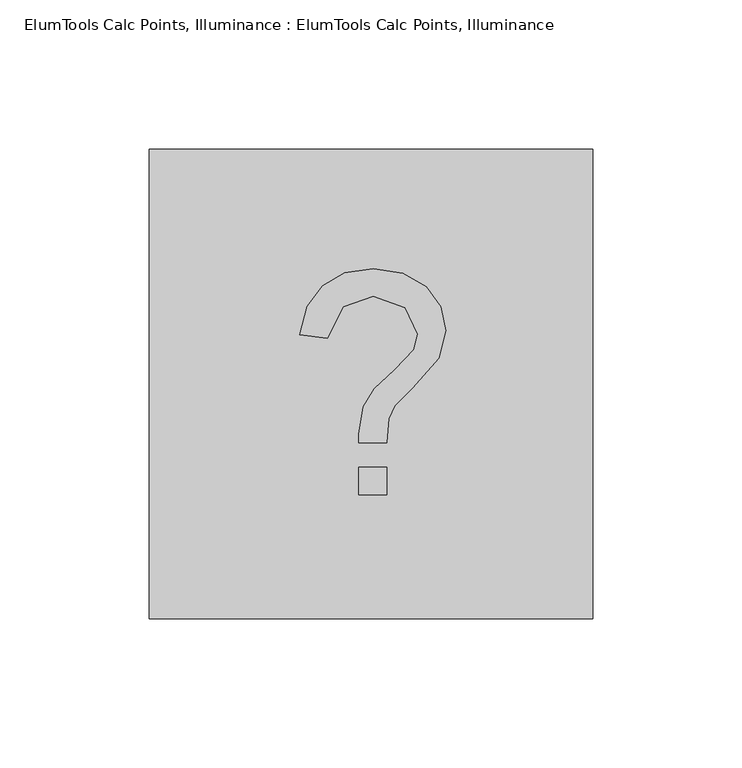
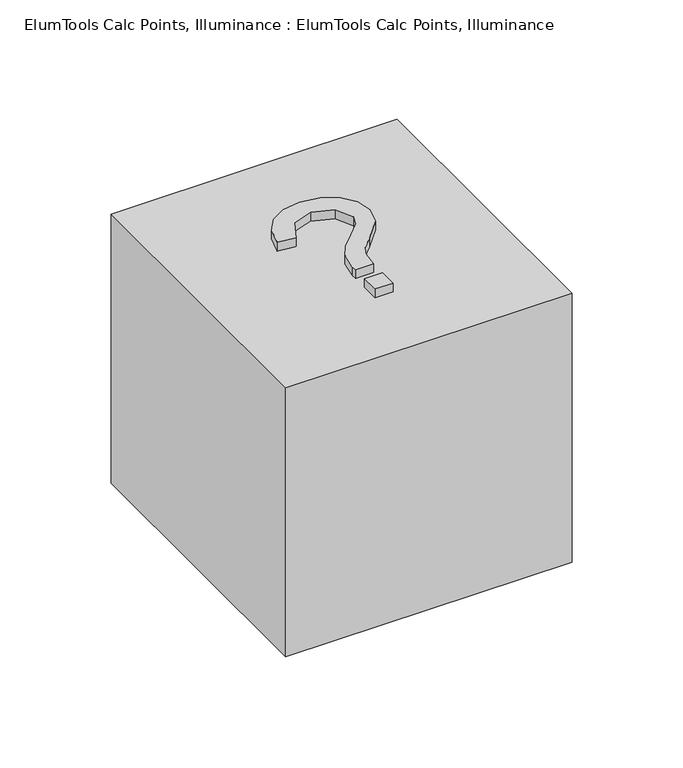
"""IFC4 building model written with IfcOpenShell, lengths in millimetres: proxy geometry, ElumTools Calc Points, Illuminance : ElumTools Calc Points, Illuminance."""

import ifcopenshell
import ifcopenshell.guid

model = None  # the IFC model being written
_history = None  # IfcOwnerHistory: only IFC2X3 demands one
_inside = {}  # id of a spatial element -> (the spatial element, [elements in it])
_under = {}  # id of a project, library or spatial element -> (it, [spatial elements below it])
_declared = {}  # id of a project -> (the project, [libraries it declares])
_typed = {}  # id of a type object -> (the type object, [elements of that type])
_made_of = {}  # id of a material, layer set ... -> (it, [elements and type objects made of it])


def new_model(schema):
    """Start an empty IFC model of exactly this schema.

    Asked for "IFC4X3", IfcOpenShell would pick the latest addendum, in which some entities
    have other attributes; the version numbers below select the first issue.
    IFC2X3 requires an IfcOwnerHistory on every rooted entity: one is made here for all.
    """
    global model, _history
    if schema == "IFC4X3":
        model = ifcopenshell.file(schema_version=(4, 3, 0, 0))
    else:
        model = ifcopenshell.file(schema=schema)
    _inside.clear()
    _under.clear()
    _declared.clear()
    _typed.clear()
    _made_of.clear()
    _history = None
    if model.schema == "IFC2X3":
        org = make("IfcOrganization", Name="unknown")
        user = make(
            "IfcPersonAndOrganization",
            ThePerson=make("IfcPerson", FamilyName="unknown"),
            TheOrganization=org,
        )
        app = make(
            "IfcApplication",
            ApplicationDeveloper=org,
            Version="unknown",
            ApplicationFullName="unknown",
            ApplicationIdentifier="unknown",
        )
        _history = make(
            "IfcOwnerHistory",
            OwningUser=user,
            OwningApplication=app,
            ChangeAction="ADDED",
            CreationDate=0,
        )
    return model


def make(cls, **values):
    """One entity of the class cls with the attributes given. An attribute that is None is left unset."""
    return model.create_entity(
        cls, **{name: value for name, value in values.items() if value is not None}
    )


def rooted(cls, **values):
    """An entity with a GlobalId (a new one), such as an element, a storey or a relation."""
    return make(cls, GlobalId=ifcopenshell.guid.new(), OwnerHistory=_history, **values)


def si_unit(unit_type, name, prefix=None):
    """IfcSIUnit, for example si_unit("LENGTHUNIT", "METRE", prefix="MILLI")."""
    return make("IfcSIUnit", UnitType=unit_type, Prefix=prefix, Name=name)


def assignment(units):
    """IfcUnitAssignment: the units of a project."""
    return None if units is None else make("IfcUnitAssignment", Units=units)


def point(xyz):
    """IfcCartesianPoint."""
    return None if xyz is None else make("IfcCartesianPoint", Coordinates=xyz)


def direction(xyz):
    """IfcDirection."""
    return None if xyz is None else make("IfcDirection", DirectionRatios=xyz)


def frame(location, z_axis=None, x_axis=None):
    """IfcAxis2Placement3D, a coordinate frame: its origin and axes. An axis left out is left unset."""
    return make(
        "IfcAxis2Placement3D",
        Location=point(location),
        Axis=direction(z_axis),
        RefDirection=direction(x_axis),
    )


def origin():
    """The frame at (0, 0, 0) with its axes left unset."""
    return frame((0.0, 0.0, 0.0))


def origin_with_axes():
    """The frame at (0, 0, 0) with the z axis (0, 0, 1) and the x axis (1, 0, 0) written out."""
    return frame((0.0, 0.0, 0.0), z_axis=(0.0, 0.0, 1.0), x_axis=(1.0, 0.0, 0.0))


def place(relative_to, where):
    """IfcLocalPlacement: puts the frame where relative to a parent placement (None: the world)."""
    return make(
        "IfcLocalPlacement", PlacementRelTo=relative_to, RelativePlacement=where
    )


def context(
    kind, dimensions, precision=None, world=None, true_north=None, identifier=None
):
    """IfcGeometricRepresentationContext, for example the 3D "Model" context."""
    return make(
        "IfcGeometricRepresentationContext",
        ContextIdentifier=identifier,
        ContextType=kind,
        CoordinateSpaceDimension=dimensions,
        Precision=precision,
        WorldCoordinateSystem=world,
        TrueNorth=true_north,
    )


def project(units=None, contexts=None):
    """IfcProject with its units and contexts."""
    return rooted(
        "IfcProject",
        Name="project",
        RepresentationContexts=contexts,
        UnitsInContext=assignment(units),
    )


def spatial(cls, under=None, at=None, **own):
    """A site, building, storey or space (cls), placed at a placement, below another one or the project."""
    s = rooted(cls, ObjectPlacement=at, **own)
    if under is not None:
        _under.setdefault(under.id(), (under, []))[1].append(s)
    return s


def polyline(points):
    """IfcPolyline through the points."""
    return make("IfcPolyline", Points=[point(p) for p in points])


def outline(outer, holes=None, kind="AREA"):
    """IfcArbitraryClosedProfileDef: a profile drawn as a closed curve; with holes, ...WithVoids."""
    if holes is None:
        return make("IfcArbitraryClosedProfileDef", ProfileType=kind, OuterCurve=outer)
    return make(
        "IfcArbitraryProfileDefWithVoids",
        ProfileType=kind,
        OuterCurve=outer,
        InnerCurves=holes,
    )


def extrude(swept, where, along, depth):
    """IfcExtrudedAreaSolid: the profile swept, set in the frame where, extruded along a direction by depth."""
    return make(
        "IfcExtrudedAreaSolid",
        SweptArea=swept,
        Position=where,
        ExtrudedDirection=direction(along),
        Depth=depth,
    )


def shape(context_of_items, identifier, shape_type, items):
    """IfcShapeRepresentation: the items that make up one representation, for example the "Body"."""
    return make(
        "IfcShapeRepresentation",
        ContextOfItems=context_of_items,
        RepresentationIdentifier=identifier,
        RepresentationType=shape_type,
        Items=items,
    )


def source(mapping_origin, context_of_items, identifier, shape_type, items):
    """IfcRepresentationMap: a shape defined once, which mapped items show again and again."""
    return make(
        "IfcRepresentationMap",
        MappingOrigin=mapping_origin,
        MappedRepresentation=shape(context_of_items, identifier, shape_type, items),
    )


def transform(
    local_origin,
    x_axis=None,
    y_axis=None,
    z_axis=None,
    scale=None,
    scale2=None,
    scale3=None,
    uniform=True,
):
    """IfcCartesianTransformationOperator3D, or its non-uniform kind. x_axis, y_axis, z_axis: its Axis1, 2, 3."""
    if uniform:
        return make(
            "IfcCartesianTransformationOperator3D",
            Axis1=direction(x_axis),
            Axis2=direction(y_axis),
            LocalOrigin=point(local_origin),
            Scale=scale,
            Axis3=direction(z_axis),
        )
    return make(
        "IfcCartesianTransformationOperator3DnonUniform",
        Axis1=direction(x_axis),
        Axis2=direction(y_axis),
        LocalOrigin=point(local_origin),
        Scale=scale,
        Axis3=direction(z_axis),
        Scale2=scale2,
        Scale3=scale3,
    )


def mapped(mapping_source, mapping_target):
    """IfcMappedItem: shows the shape of a source again, moved by a transform."""
    return make(
        "IfcMappedItem", MappingSource=mapping_source, MappingTarget=mapping_target
    )


def made_of(thing, what):
    """Note that an element or type object is made of a material, layer set ...; save() writes the relation."""
    if what is not None:
        _made_of.setdefault(what.id(), (what, []))[1].append(thing)
    return thing


def element(
    cls,
    number,
    at=None,
    inside=None,
    cuts=None,
    type_object=None,
    material=None,
    context=None,
    identifier="Body",
    shape_type=None,
    held_by="IfcProductDefinitionShape",
    body=None,
    shapes=None,
    **own,
):
    """One element of the class cls, such as IfcWall. Its Tag is "e" and its number.

    at: its placement. inside: the storey or other place that contains it. cuts: it is an
    opening in that element (IfcRelVoidsElement). A single representation is given by context,
    identifier, shape_type and body (its items); several are given by shapes. held_by: the class
    of the entity that holds the representations. save() writes the other relations.
    """
    e = rooted(cls, Tag="e%d" % number, ObjectPlacement=at, **own)
    if body is not None:
        shapes = [shape(context, identifier, shape_type, body)]
    if shapes is not None:
        e.Representation = make(held_by, Representations=shapes)
    if inside is not None:
        _inside.setdefault(inside.id(), (inside, []))[1].append(e)
    if cuts is not None:
        rooted(
            "IfcRelVoidsElement", RelatingBuildingElement=cuts, RelatedOpeningElement=e
        )
    if type_object is not None:
        _typed.setdefault(type_object.id(), (type_object, []))[1].append(e)
    return made_of(e, material)


def aggregate(whole, parts):
    """IfcRelAggregates: a whole, such as a stair, and the parts it consists of."""
    return rooted("IfcRelAggregates", RelatingObject=whole, RelatedObjects=parts)


def save(model, path):
    """Write the relations noted so far, then the file.

    IfcRelAggregates (storeys below a building ...), IfcRelContainedInSpatialStructure (elements
    in a storey), IfcRelDefinesByType, IfcRelAssociatesMaterial and IfcRelDeclares: one each for
    every whole, place, type object, material and project.
    """
    for whole, parts in _under.values():
        aggregate(whole, parts)
    for where, things in _inside.values():
        rooted(
            "IfcRelContainedInSpatialStructure",
            RelatedElements=things,
            RelatingStructure=where,
        )
    for kind, things in _typed.values():
        rooted("IfcRelDefinesByType", RelatedObjects=things, RelatingType=kind)
    for what, things in _made_of.values():
        rooted("IfcRelAssociatesMaterial", RelatedObjects=things, RelatingMaterial=what)
    for by, libraries in _declared.values():
        rooted("IfcRelDeclares", RelatingContext=by, RelatedDefinitions=libraries)
    model.write(path)


def elumtools_calc_points_illuminance_elumtools_calc_points_dc96c670(model_context):
    return source(origin(), model_context, "Body", "SweptSolid", [
        extrude(outline(polyline([(-4.0857316, -37.1855792), (-4.0857316, -27.846764), (5.2530835, -27.846764), (5.2530835, -37.1855792), (-4.0857316, -37.1855792)])), origin_with_axes(), (0.0, 0.0, 1.0), 152.4),
        extrude(outline(polyline([(-4.0857316, -19.6753007), (-4.1404513, -16.9210798), (-2.5718222, -7.5640248), (1.149112, -1.5813463), (7.925225, 4.8390892), (14.2909408, 11.4236835), (15.7592506, 16.5855677), (11.4364006, 25.5139857), (0.8390342, 29.3534791), (-9.2749756, 25.9608626), (-14.5918987, 15.3452563), (-23.9307139, 16.5126082), (-21.3588918, 25.9996223), (-16.2334874, 32.9740939), (-8.8007389, 37.2627442), (0.6931152, 38.6922943), (10.7090857, 37.1692648), (18.4678718, 32.6001765), (23.4405173, 25.8742232), (25.0980658, 17.8805987), (22.8180817, 8.6694626), (13.8805437, -1.471907), (8.0437842, -7.3542662), (6.0191582, -11.6953561), (5.2530835, -19.6753007), (-4.0857316, -19.6753007)])), origin_with_axes(), (0.0, 0.0, 1.0), 152.4),
        extrude(outline(polyline([(-74.3711584, -78.737966), (-74.3711584, 78.737966), (74.3711584, 78.737966), (74.3711584, -78.737966), (-74.3711584, -78.737966)])), origin_with_axes(), (0.0, 0.0, 1.0), 147.828),
    ])


if __name__ == "__main__":
    model = new_model("IFC4")
    model_context = context("Model", 3, world=origin())
    ifc_project = project(units=[si_unit("LENGTHUNIT", "METRE", prefix="MILLI")], contexts=[model_context])
    site = spatial("IfcSite", under=ifc_project)
    building = spatial("IfcBuilding", under=site)
    placement = place(None, origin())
    elumtools_calc_points_illuminance_elumtools_calc_points_shape = elumtools_calc_points_illuminance_elumtools_calc_points_dc96c670(model_context)
    element("IfcBuildingElementProxy", 1, Name="ElumTools Calc Points, Illuminance : ElumTools Calc Points, Illuminance", ObjectType="ElumTools Calc Points, Illuminance : ElumTools Calc Points, Illuminance", at=placement, inside=building, context=model_context, shape_type="MappedRepresentation", body=[
        mapped(elumtools_calc_points_illuminance_elumtools_calc_points_shape, transform((0.0, 0.0, 0.0), x_axis=(1.0, 0.0, 0.0), y_axis=(0.0, 1.0, 0.0), z_axis=(0.0, 0.0, 1.0))),
    ])
    save(model, "model.ifc")
